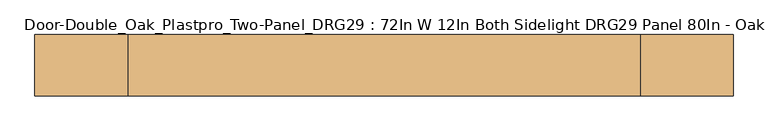
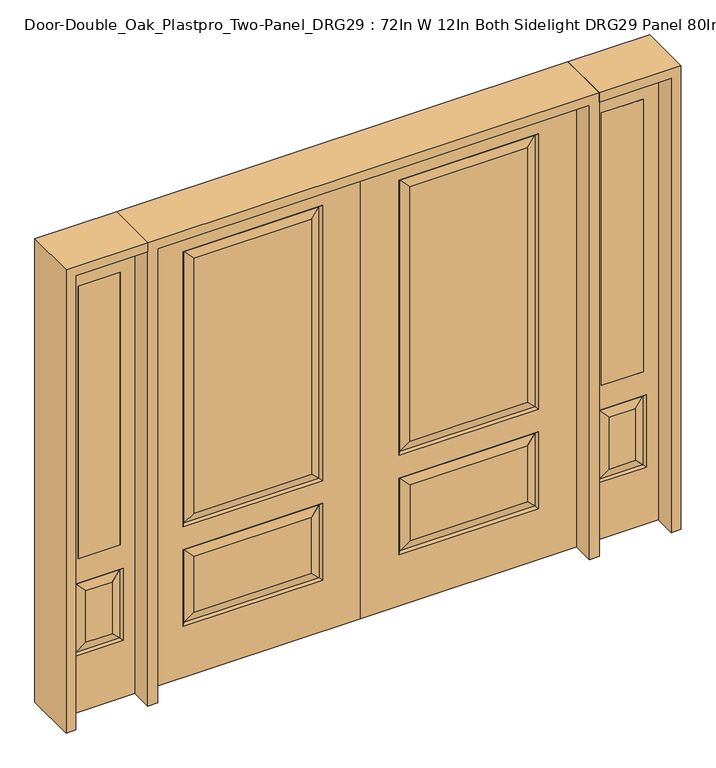
"""IFC4 building model written with IfcOpenShell, lengths in millimetres: door geometry, Door-Double_Oak_Plastpro_Two-Panel_DRG29 : 72In W 12In Both Sidelight DRG29 Panel 80In - Oak."""

from ifc_helpers import new_model, si_unit, frame, origin, place, context, project, spatial, polyline, outline, extrude, faceted_brep, source, transform, mapped, element, save


def door_double_oak_plastpro_two_panel_drg29_72in_w_12in_both_ab72620e(model_context):
    return source(origin(), model_context, "Body", "SolidModel", [
        faceted_brep([(743.3796986, -11.6572439, 562.4046986), (171.0203014, -11.6572439, 562.4046986), (208.0775452, -20.6375, 525.3474548), (706.3224548, -20.6375, 525.3474548), (208.0775452, -20.6375, 274.7525452), (171.0203014, -11.6572439, 237.6953014), (0.0, 20.6375, 0.0), (914.4, 20.6375, 0.0), (914.4, -20.6375, 0.0), (0.0, -20.6375, 0.0), (0.0, 20.6375, 2032.0), (0.0, -20.6375, 2032.0), (914.4, -20.6375, 2032.0), (162.0400452, -20.6375, 228.7150452), (162.0400452, -20.6375, 571.3849548), (752.3599548, -20.6375, 571.3849548), (752.3599548, -20.6375, 228.7150452), (162.0400452, -20.6375, 673.2150452), (162.0400452, -20.6375, 1904.8849548), (752.3599548, -20.6375, 1904.8849548), (752.3599548, -20.6375, 673.2150452), (706.3224548, -20.6375, 274.7525452), (706.3224548, -20.6375, 719.2525452), (706.3224548, -20.6375, 1858.8474548), (208.0775452, -20.6375, 1858.8474548), (208.0775452, -20.6375, 719.2525452), (706.3224548, 20.6375, 274.7525452), (706.3224548, 20.6375, 525.3474548), (743.3796986, 11.6572439, 562.4046986), (743.3796986, 11.6572439, 237.6953014), (752.3599548, 20.6375, 571.3849548), (752.3599548, 20.6375, 228.7150452), (171.0203014, 11.6572439, 237.6953014), (171.0203014, 11.6572439, 562.4046986), (208.0775452, 20.6375, 525.3474548), (208.0775452, 20.6375, 274.7525452), (171.0203014, 11.6572439, 682.1953014), (208.0775452, 20.6375, 719.2525452), (706.3224548, 20.6375, 719.2525452), (743.3796986, 11.6572439, 682.1953014), (706.3224548, 20.6375, 1858.8474548), (743.3796986, 11.6572439, 1895.9046986), (162.0400452, 20.6375, 571.3849548), (743.3796986, -11.6572439, 237.6953014), (914.4, 20.6375, 2032.0), (162.0400452, 20.6375, 228.7150452), (752.3599548, 20.6375, 673.2150452), (752.3599548, 20.6375, 1904.8849548), (162.0400452, 20.6375, 1904.8849548), (162.0400452, 20.6375, 673.2150452), (208.0775452, 20.6375, 1858.8474548), (171.0203014, 11.6572439, 1895.9046986), (171.0203014, -11.6572439, 682.1953014), (743.3796986, -11.6572439, 682.1953014), (743.3796986, -11.6572439, 1895.9046986), (171.0203014, -11.6572439, 1895.9046986)], [[[0, 1, 2, 3]], [[4, 2, 1, 5]], [[6, 7, 8, 9]], [[10, 6, 9, 11]], [[11, 9, 8, 12], [13, 14, 15, 16], [17, 18, 19, 20]], [[21, 3, 2, 4]], [[22, 23, 24, 25]], [[26, 27, 28, 29]], [[29, 28, 30, 31]], [[32, 33, 34, 35]], [[36, 37, 38, 39]], [[38, 40, 41, 39]], [[28, 33, 42, 30]], [[16, 15, 0, 43]], [[15, 14, 1, 0]], [[12, 8, 7, 44]], [[44, 7, 6, 10], [31, 30, 42, 45], [46, 47, 48, 49]], [[37, 50, 40, 38]], [[35, 34, 27, 26]], [[10, 11, 12, 44]], [[49, 48, 51, 36]], [[29, 31, 45, 32]], [[36, 51, 50, 37]], [[45, 42, 33, 32]], [[39, 46, 49, 36]], [[39, 41, 47, 46]], [[32, 35, 26, 29]], [[27, 34, 33, 28]], [[52, 17, 20, 53]], [[20, 19, 54, 53]], [[52, 55, 18, 17]], [[53, 22, 25, 52]], [[25, 24, 55, 52]], [[53, 54, 23, 22]], [[5, 13, 16, 43]], [[5, 1, 14, 13]], [[43, 21, 4, 5]], [[43, 0, 3, 21]], [[19, 18, 55, 54]], [[54, 55, 24, 23]], [[40, 50, 51, 41]], [[41, 51, 48, 47]]]),
        faceted_brep([(-743.3796986, -11.6572439, 562.4046986), (-706.3224548, -20.6375, 525.3474548), (-208.0775452, -20.6375, 525.3474548), (-171.0203014, -11.6572439, 562.4046986), (-208.0775452, -20.6375, 274.7525452), (-171.0203014, -11.6572439, 237.6953014), (0.0, 20.6375, 0.0), (0.0, -20.6375, 0.0), (-914.4, -20.6375, 0.0), (-914.4, 20.6375, 0.0), (0.0, 20.6375, 2032.0), (0.0, -20.6375, 2032.0), (-706.3224548, -20.6375, 719.2525452), (-208.0775452, -20.6375, 719.2525452), (-208.0775452, -20.6375, 1858.8474548), (-706.3224548, -20.6375, 1858.8474548), (-914.4, -20.6375, 2032.0), (-162.0400452, -20.6375, 673.2150452), (-752.3599548, -20.6375, 673.2150452), (-752.3599548, -20.6375, 1904.8849548), (-162.0400452, -20.6375, 1904.8849548), (-162.0400452, -20.6375, 228.7150452), (-752.3599548, -20.6375, 228.7150452), (-752.3599548, -20.6375, 571.3849548), (-162.0400452, -20.6375, 571.3849548), (-706.3224548, -20.6375, 274.7525452), (-706.3224548, 20.6375, 274.7525452), (-743.3796986, 11.6572439, 237.6953014), (-743.3796986, 11.6572439, 562.4046986), (-706.3224548, 20.6375, 525.3474548), (-752.3599548, 20.6375, 228.7150452), (-752.3599548, 20.6375, 571.3849548), (-171.0203014, 11.6572439, 237.6953014), (-208.0775452, 20.6375, 274.7525452), (-208.0775452, 20.6375, 525.3474548), (-171.0203014, 11.6572439, 562.4046986), (-171.0203014, 11.6572439, 682.1953014), (-743.3796986, 11.6572439, 682.1953014), (-706.3224548, 20.6375, 719.2525452), (-208.0775452, 20.6375, 719.2525452), (-743.3796986, 11.6572439, 1895.9046986), (-706.3224548, 20.6375, 1858.8474548), (-162.0400452, 20.6375, 571.3849548), (-743.3796986, -11.6572439, 237.6953014), (-914.4, 20.6375, 2032.0), (-162.0400452, 20.6375, 228.7150452), (-752.3599548, 20.6375, 673.2150452), (-162.0400452, 20.6375, 673.2150452), (-162.0400452, 20.6375, 1904.8849548), (-752.3599548, 20.6375, 1904.8849548), (-208.0775452, 20.6375, 1858.8474548), (-171.0203014, 11.6572439, 1895.9046986), (-171.0203014, -11.6572439, 682.1953014), (-743.3796986, -11.6572439, 682.1953014), (-743.3796986, -11.6572439, 1895.9046986), (-171.0203014, -11.6572439, 1895.9046986)], [[[0, 1, 2, 3]], [[4, 5, 3, 2]], [[6, 7, 8, 9]], [[10, 11, 7, 6]], [[12, 13, 14, 15]], [[11, 16, 8, 7], [17, 18, 19, 20], [21, 22, 23, 24]], [[25, 4, 2, 1]], [[26, 27, 28, 29]], [[27, 30, 31, 28]], [[32, 33, 34, 35]], [[36, 37, 38, 39]], [[38, 37, 40, 41]], [[28, 31, 42, 35]], [[22, 43, 0, 23]], [[23, 0, 3, 24]], [[16, 44, 9, 8]], [[33, 26, 29, 34]], [[44, 10, 6, 9], [30, 45, 42, 31], [46, 47, 48, 49]], [[39, 38, 41, 50]], [[10, 44, 16, 11]], [[47, 36, 51, 48]], [[27, 32, 45, 30]], [[36, 39, 50, 51]], [[45, 32, 35, 42]], [[37, 36, 47, 46]], [[37, 46, 49, 40]], [[32, 27, 26, 33]], [[29, 28, 35, 34]], [[52, 53, 18, 17]], [[18, 53, 54, 19]], [[52, 17, 20, 55]], [[53, 52, 13, 12]], [[13, 52, 55, 14]], [[53, 12, 15, 54]], [[5, 43, 22, 21]], [[5, 21, 24, 3]], [[43, 5, 4, 25]], [[43, 25, 1, 0]], [[19, 54, 55, 20]], [[54, 15, 14, 55]], [[41, 40, 51, 50]], [[40, 49, 48, 51]]]),
        extrude(outline(polyline([(1196.975, -20.6375), (1019.175, -20.6375), (1019.175, 20.6375), (1196.975, 20.6375), (1196.975, -20.6375)])), frame((0.0, 0.0, 685.8), z_axis=(0.0, 0.0, 1.0), x_axis=(1.0, 0.0, 0.0)), (0.0, 0.0, 1.0), 1219.2),
        faceted_brep([(1196.975, -20.6375, 1905.0), (1019.175, -20.6375, 1905.0), (1019.175, 20.6375, 1905.0), (1196.975, 20.6375, 1905.0), (1163.5224548, -20.6375, 531.6974548), (1052.6275452, -20.6375, 531.6974548), (1052.6275452, -20.6375, 300.1525452), (1163.5224548, -20.6375, 300.1525452), (955.675, -20.6375, 2032.0), (955.675, -20.6375, 0.0), (1260.475, -20.6375, 0.0), (1260.475, -20.6375, 2032.0), (1196.975, -20.6375, 685.8), (1019.175, -20.6375, 685.8), (1209.5599548, -20.6375, 254.1150452), (1006.5900452, -20.6375, 254.1150452), (1006.5900452, -20.6375, 577.7349548), (1209.5599548, -20.6375, 577.7349548), (1200.5796986, 11.6572439, 568.7546986), (1209.5599548, 20.6375, 577.7349548), (1209.5599548, 20.6375, 254.1150452), (1200.5796986, 11.6572439, 263.0953014), (1015.5703014, 11.6572439, 568.7546986), (1006.5900452, 20.6375, 577.7349548), (1163.5224548, 20.6375, 300.1525452), (1163.5224548, 20.6375, 531.6974548), (1196.975, 20.6375, 685.8), (1019.175, 20.6375, 685.8), (1015.5703014, -11.6572439, 263.0953014), (1200.5796986, -11.6572439, 263.0953014), (1015.5703014, -11.6572439, 568.7546986), (1200.5796986, -11.6572439, 568.7546986), (955.675, 20.6375, 2032.0), (1260.475, 20.6375, 2032.0), (955.675, 20.6375, 0.0), (1260.475, 20.6375, 0.0), (1006.5900452, 20.6375, 254.1150452), (1052.6275452, 20.6375, 300.1525452), (1052.6275452, 20.6375, 531.6974548), (1015.5703014, 11.6572439, 263.0953014)], [[[0, 1, 2, 3]], [[4, 5, 6, 7]], [[8, 9, 10, 11], [0, 12, 13, 1], [14, 15, 16, 17]], [[18, 19, 20, 21]], [[18, 22, 23, 19]], [[21, 24, 25, 18]], [[26, 27, 13, 12]], [[7, 6, 28, 29]], [[6, 5, 30, 28]], [[29, 14, 17, 31]], [[32, 8, 11, 33]], [[34, 35, 10, 9]], [[32, 34, 9, 8]], [[11, 10, 35, 33]], [[33, 35, 34, 32], [19, 23, 36, 20], [2, 27, 26, 3]], [[24, 37, 38, 25]], [[20, 36, 39, 21]], [[36, 23, 22, 39]], [[25, 38, 22, 18]], [[39, 22, 38, 37]], [[21, 39, 37, 24]], [[3, 26, 12, 0]], [[1, 13, 27, 2]], [[31, 4, 7, 29]], [[31, 30, 5, 4]], [[17, 16, 30, 31]], [[28, 30, 16, 15]], [[29, 28, 15, 14]]]),
        extrude(outline(polyline([(-1196.975, -20.6375), (-1196.975, 20.6375), (-1019.175, 20.6375), (-1019.175, -20.6375), (-1196.975, -20.6375)])), frame((0.0, 0.0, 685.8), z_axis=(0.0, 0.0, 1.0), x_axis=(1.0, 0.0, 0.0)), (0.0, 0.0, 1.0), 1219.2),
        faceted_brep([(-1196.975, -20.6375, 1905.0), (-1196.975, 20.6375, 1905.0), (-1019.175, 20.6375, 1905.0), (-1019.175, -20.6375, 1905.0), (-1163.5224548, -20.6375, 531.6974548), (-1163.5224548, -20.6375, 300.1525452), (-1052.6275452, -20.6375, 300.1525452), (-1052.6275452, -20.6375, 531.6974548), (-955.675, -20.6375, 2032.0), (-1260.475, -20.6375, 2032.0), (-1260.475, -20.6375, 0.0), (-955.675, -20.6375, 0.0), (-1209.5599548, -20.6375, 254.1150452), (-1209.5599548, -20.6375, 577.7349548), (-1006.5900452, -20.6375, 577.7349548), (-1006.5900452, -20.6375, 254.1150452), (-1019.175, -20.6375, 685.8), (-1196.975, -20.6375, 685.8), (-1200.5796986, 11.6572439, 568.7546986), (-1200.5796986, 11.6572439, 263.0953014), (-1209.5599548, 20.6375, 254.1150452), (-1209.5599548, 20.6375, 577.7349548), (-1006.5900452, 20.6375, 577.7349548), (-1015.5703014, 11.6572439, 568.7546986), (-1163.5224548, 20.6375, 531.6974548), (-1163.5224548, 20.6375, 300.1525452), (-1196.975, 20.6375, 685.8), (-1019.175, 20.6375, 685.8), (-1200.5796986, -11.6572439, 263.0953014), (-1015.5703014, -11.6572439, 263.0953014), (-1015.5703014, -11.6572439, 568.7546986), (-1200.5796986, -11.6572439, 568.7546986), (-955.675, 20.6375, 2032.0), (-1260.475, 20.6375, 2032.0), (-955.675, 20.6375, 0.0), (-1260.475, 20.6375, 0.0), (-1006.5900452, 20.6375, 254.1150452), (-1052.6275452, 20.6375, 531.6974548), (-1052.6275452, 20.6375, 300.1525452), (-1015.5703014, 11.6572439, 263.0953014)], [[[0, 1, 2, 3]], [[4, 5, 6, 7]], [[8, 9, 10, 11], [12, 13, 14, 15], [0, 3, 16, 17]], [[18, 19, 20, 21]], [[18, 21, 22, 23]], [[19, 18, 24, 25]], [[26, 17, 16, 27]], [[5, 28, 29, 6]], [[6, 29, 30, 7]], [[28, 31, 13, 12]], [[32, 33, 9, 8]], [[34, 11, 10, 35]], [[32, 8, 11, 34]], [[9, 33, 35, 10]], [[33, 32, 34, 35], [21, 20, 36, 22], [2, 1, 26, 27]], [[25, 24, 37, 38]], [[20, 19, 39, 36]], [[36, 39, 23, 22]], [[24, 18, 23, 37]], [[39, 38, 37, 23]], [[19, 25, 38, 39]], [[1, 0, 17, 26]], [[3, 2, 27, 16]], [[31, 28, 5, 4]], [[31, 4, 7, 30]], [[13, 31, 30, 14]], [[29, 15, 14, 30]], [[28, 12, 15, 29]]]),
        extrude(outline(polyline([(2032.0, -955.675), (2073.275, -955.675), (2073.275, -1301.75), (0.0, -1301.75), (0.0, -1260.475), (2032.0, -1260.475), (2032.0, -955.675)])), frame((0.0, -114.3, 0.0), z_axis=(0.0, 1.0, 0.0), x_axis=(0.0, 0.0, 1.0)), (0.0, 0.0, 1.0), 228.6),
        extrude(outline(polyline([(2073.275, -955.675), (0.0, -955.675), (0.0, -914.4), (2032.0, -914.4), (2032.0, 914.4), (0.0, 914.4), (0.0, 955.675), (2073.275, 955.675), (2073.275, -955.675)])), frame((0.0, -114.3, 0.0), z_axis=(0.0, 1.0, 0.0), x_axis=(0.0, 0.0, 1.0)), (0.0, 0.0, 1.0), 228.6),
        extrude(outline(polyline([(0.0, 1260.475), (0.0, 1301.75), (2073.275, 1301.75), (2073.275, 955.675), (2032.0, 955.675), (2032.0, 1260.475), (0.0, 1260.475)])), frame((0.0, -114.3, 0.0), z_axis=(0.0, 1.0, 0.0), x_axis=(0.0, 0.0, 1.0)), (0.0, 0.0, 1.0), 228.6),
    ])


if __name__ == "__main__":
    model = new_model("IFC4")
    model_context = context("Model", 3, world=origin())
    ifc_project = project(units=[si_unit("LENGTHUNIT", "METRE", prefix="MILLI")], contexts=[model_context])
    site = spatial("IfcSite", under=ifc_project)
    building = spatial("IfcBuilding", under=site)
    placement = place(None, origin())
    door_double_oak_plastpro_two_panel_drg29_72in_w_12in_both_shape = door_double_oak_plastpro_two_panel_drg29_72in_w_12in_both_ab72620e(model_context)
    element("IfcDoor", 1, ObjectType="Door-Double_Oak_Plastpro_Two-Panel_DRG29 : 72In W 12In Both Sidelight DRG29 Panel 80In - Oak", at=placement, inside=building, context=model_context, shape_type="MappedRepresentation", body=[
        mapped(door_double_oak_plastpro_two_panel_drg29_72in_w_12in_both_shape, transform((0.0, 0.0, 0.0), x_axis=(1.0, 0.0, 0.0), y_axis=(0.0, 1.0, 0.0), z_axis=(0.0, 0.0, 1.0))),
    ])
    save(model, "model.ifc")
